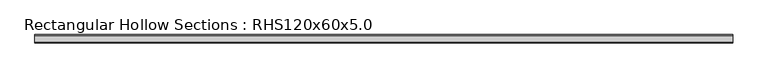
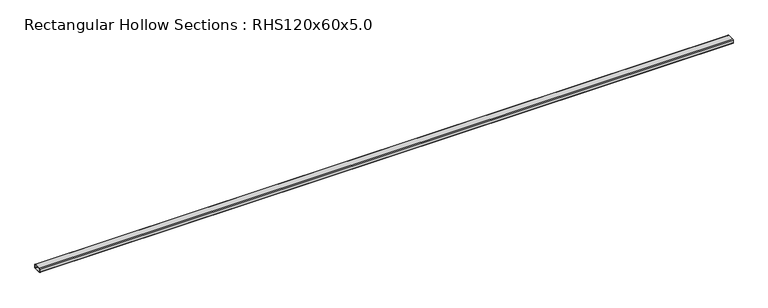
"""IFC4 building model written with IfcOpenShell, lengths in millimetres: beam geometry, Rectangular Hollow Sections : RHS120x60x5.0."""

from ifc_helpers import new_model, si_unit, point, frame, frame_2d, origin, place, context, project, spatial, polyline, circle_curve, trimmed, segment, composite_curve, outline, extrude, source, transform, mapped, element, save


def rectangular_hollow_sections_rhs120x60x5_0_255d37cc(model_context):
    return source(origin(), model_context, "Body", "SweptSolid", [
        extrude(outline(composite_curve([segment(polyline([(60.0, 20.0), (60.0, -20.0)]), True, "CONTINUOUS"), segment(trimmed(circle_curve(frame_2d((50.0, -20.0)), 10.0), [point((60.0, -20.0))], [point((50.0, -30.0))], False, "CARTESIAN"), True, "CONTINUOUS"), segment(polyline([(50.0, -30.0), (-50.0, -30.0)]), True, "CONTINUOUS"), segment(trimmed(circle_curve(frame_2d((-50.0, -20.0)), 10.0), [point((-50.0, -30.0))], [point((-60.0, -20.0))], False, "CARTESIAN"), True, "CONTINUOUS"), segment(polyline([(-60.0, -20.0), (-60.0, 20.0)]), True, "CONTINUOUS"), segment(trimmed(circle_curve(frame_2d((-50.0, 20.0)), 10.0), [point((-60.0, 20.0))], [point((-50.0, 30.0))], False, "CARTESIAN"), True, "CONTINUOUS"), segment(polyline([(-50.0, 30.0), (50.0, 30.0)]), True, "CONTINUOUS"), segment(trimmed(circle_curve(frame_2d((50.0, 20.0)), 10.0), [point((50.0, 30.0))], [point((60.0, 20.0))], False, "CARTESIAN"), True, "CONTINUOUS")], self_intersect=False), holes=[composite_curve([segment(trimmed(circle_curve(frame_2d((-50.0, 20.0)), 5.0), [point((-50.0, 25.0))], [point((-55.0, 20.0))], True, "CARTESIAN"), True, "CONTINUOUS"), segment(polyline([(-55.0, 20.0), (-55.0, -20.0)]), True, "CONTINUOUS"), segment(trimmed(circle_curve(frame_2d((-50.0, -20.0)), 5.0), [point((-55.0, -20.0))], [point((-50.0, -25.0))], True, "CARTESIAN"), True, "CONTINUOUS"), segment(polyline([(-50.0, -25.0), (50.0, -25.0)]), True, "CONTINUOUS"), segment(trimmed(circle_curve(frame_2d((50.0, -20.0)), 5.0), [point((50.0, -25.0))], [point((55.0, -20.0))], True, "CARTESIAN"), True, "CONTINUOUS"), segment(polyline([(55.0, -20.0), (55.0, 20.0)]), True, "CONTINUOUS"), segment(trimmed(circle_curve(frame_2d((50.0, 20.0)), 5.0), [point((55.0, 20.0))], [point((50.0, 25.0))], True, "CARTESIAN"), True, "CONTINUOUS"), segment(polyline([(50.0, 25.0), (-50.0, 25.0)]), True, "CONTINUOUS")], self_intersect=False)]), frame((-5025.0, 0.0, 0.0), z_axis=(1.0, 0.0, 0.0), x_axis=(0.0, 1.0, 0.0)), (0.0, 0.0, 1.0), 10050.0),
    ])


if __name__ == "__main__":
    model = new_model("IFC4")
    model_context = context("Model", 3, world=origin())
    ifc_project = project(units=[si_unit("LENGTHUNIT", "METRE", prefix="MILLI")], contexts=[model_context])
    site = spatial("IfcSite", under=ifc_project)
    building = spatial("IfcBuilding", under=site)
    placement = place(None, origin())
    rectangular_hollow_sections_rhs120x60x5_0_shape = rectangular_hollow_sections_rhs120x60x5_0_255d37cc(model_context)
    element("IfcBeam", 1, ObjectType="Rectangular Hollow Sections : RHS120x60x5.0", at=placement, inside=building, context=model_context, shape_type="MappedRepresentation", body=[
        mapped(rectangular_hollow_sections_rhs120x60x5_0_shape, transform((0.0, 0.0, 0.0), x_axis=(1.0, 0.0, 0.0), y_axis=(0.0, 1.0, 0.0), z_axis=(0.0, 0.0, 1.0))),
    ])
    save(model, "model.ifc")
